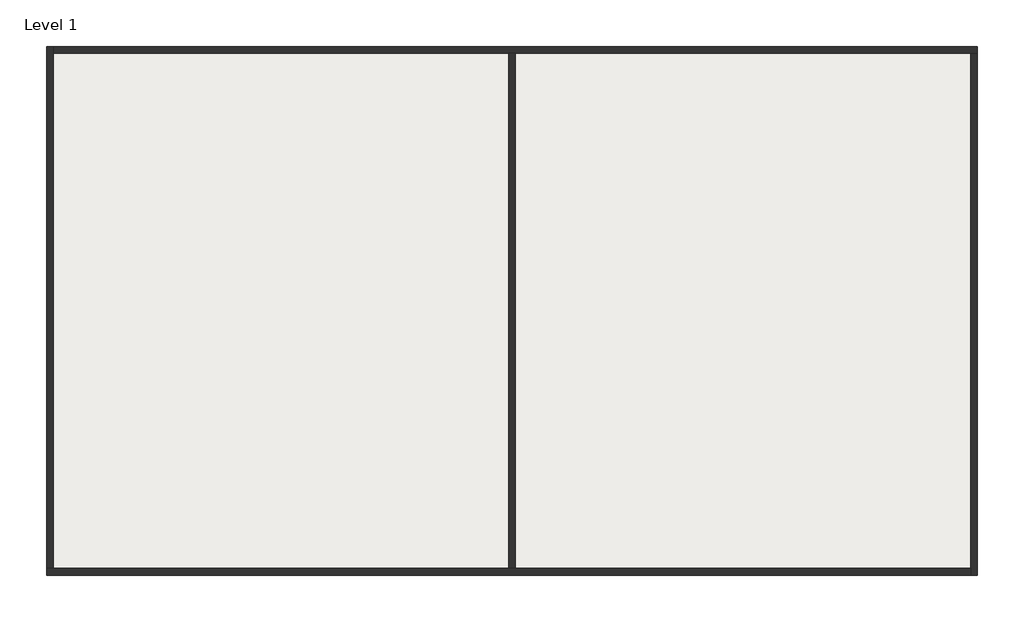
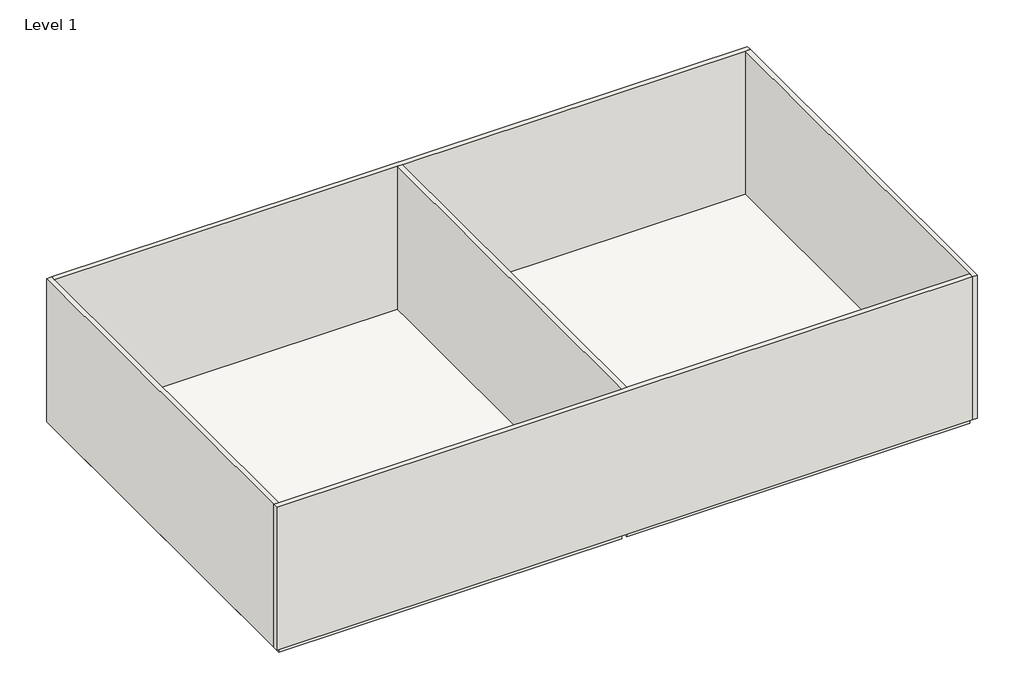
# One storey: 5 walls, 4 slabs.
"""IFC4 building model written with IfcOpenShell, lengths in millimetres."""

from ifc_helpers import new_model, si_unit, frame, origin, origin_with_axes, place, context, project, spatial, polyline, outline, extrude, faceted_brep, element, save

model = new_model("IFC4")

# Units and contexts
model_context = context("Model", 3, world=origin())
ifc_project = project(units=[si_unit("LENGTHUNIT", "METRE", prefix="MILLI")], contexts=[model_context])

# Site, building, storey
site = spatial("IfcSite", under=ifc_project)
building = spatial("IfcBuilding", under=site)
storey = spatial("IfcBuildingStorey", under=building, Name="Level 1", Elevation=0.0)

# Slabs
placement = place(None, origin())
element("IfcSlab", 1, ObjectType="Wood Joist 10\" - Ceramic Tile", at=placement, inside=storey, context=model_context, shape_type="SweptSolid", body=[
    extrude(outline(polyline([(-3064.3318941, 10755.7715093), (10753.2681059, 10755.7715093), (10753.2681059, -4890.6284907), (-3064.3318941, -4890.6284907), (-3064.3318941, 10755.7715093)])), frame((0.0, 0.0, -273.05), z_axis=(0.0, 0.0, 1.0), x_axis=(1.0, 0.0, 0.0)), (0.0, 0.0, 1.0), 273.05),
])
element("IfcSlab", 2, ObjectType="Wood Joist 10\" - Ceramic Tile", at=placement, inside=storey, context=model_context, shape_type="SweptSolid", body=[
    extrude(outline(polyline([(-17085.1318941, 10755.7715093), (-3267.5318941, 10755.7715093), (-3267.5318941, -4890.6284907), (-17085.1318941, -4890.6284907), (-17085.1318941, 10755.7715093)])), frame((0.0, 0.0, -273.05), z_axis=(0.0, 0.0, 1.0), x_axis=(1.0, 0.0, 0.0)), (0.0, 0.0, 1.0), 273.05),
])
element("IfcSlab", 3, ObjectType="Wood Joist 10\" - Ceramic Tile", at=placement, inside=storey, context=model_context, shape_type="SweptSolid", body=[
    extrude(outline(polyline([(-3064.3318941, 10755.7715093), (10753.2681059, 10755.7715093), (10753.2681059, -4890.6284907), (-3064.3318941, -4890.6284907), (-3064.3318941, 10755.7715093)])), frame((0.0, 0.0, -273.05), z_axis=(0.0, 0.0, 1.0), x_axis=(1.0, 0.0, 0.0)), (0.0, 0.0, 1.0), 273.05),
])
element("IfcSlab", 4, ObjectType="Wood Joist 10\" - Ceramic Tile", at=placement, inside=storey, context=model_context, shape_type="SweptSolid", body=[
    extrude(outline(polyline([(-17085.1318941, 10755.7715093), (-3267.5318941, 10755.7715093), (-3267.5318941, -4890.6284907), (-17085.1318941, -4890.6284907), (-17085.1318941, 10755.7715093)])), frame((0.0, 0.0, -273.05), z_axis=(0.0, 0.0, 1.0), x_axis=(1.0, 0.0, 0.0)), (0.0, 0.0, 1.0), 273.05),
])

# Walls
element("IfcWall", 5, ObjectType="Generic - 8\"", at=placement, inside=storey, context=model_context, shape_type="Brep", body=[
    faceted_brep([(10956.4681059, 10958.9715093, 0.0), (-17085.1318941, 10958.9715093, 0.0), (-17085.1318941, 10958.9715093, 6096.0), (10956.4681059, 10958.9715093, 6096.0), (10956.4681059, 10755.7715093, 0.0), (10956.4681059, 10755.7715093, 6096.0), (10753.2681059, 10755.7715093, 6096.0), (-3064.3318941, 10755.7715093, 6096.0), (-3267.5318941, 10755.7715093, 6096.0), (-17085.1318941, 10755.7715093, 6096.0), (-17085.1318941, 10755.7715093, 0.0), (-3267.5318941, 10755.7715093, 0.0), (-3064.3318941, 10755.7715093, 0.0), (10753.2681059, 10755.7715093, 0.0)], [[[0, 1, 2, 3]], [[4, 5, 6, 7, 8, 9, 10, 11, 12, 13]], [[1, 0, 4, 13, 12, 11, 10]], [[3, 2, 9, 8, 7, 6, 5]], [[0, 3, 5, 4]], [[2, 1, 10, 9]]]),
])
element("IfcWall", 6, ObjectType="Generic - 8\"", at=placement, inside=storey, context=model_context, shape_type="Brep", body=[
    faceted_brep([(10956.4681059, -5093.8284907, 0.0), (10956.4681059, 10755.7715093, 0.0), (10956.4681059, 10755.7715093, 6096.0), (10956.4681059, -5093.8284907, 6096.0), (10753.2681059, -5093.8284907, 0.0), (10753.2681059, -5093.8284907, 6096.0), (10753.2681059, -4890.6284907, 6096.0), (10753.2681059, 10755.7715093, 6096.0), (10753.2681059, 10755.7715093, 0.0), (10753.2681059, -4890.6284907, 0.0)], [[[0, 1, 2, 3]], [[4, 5, 6, 7, 8, 9]], [[1, 0, 4, 9, 8]], [[3, 2, 7, 6, 5]], [[0, 3, 5, 4]], [[2, 1, 8, 7]]]),
])
element("IfcWall", 7, ObjectType="Generic - 8\"", at=placement, inside=storey, context=model_context, shape_type="Brep", body=[
    faceted_brep([(-17288.3318941, -5093.8284907, 0.0), (10753.2681059, -5093.8284907, 0.0), (10753.2681059, -5093.8284907, 6096.0), (-17288.3318941, -5093.8284907, 6096.0), (-17288.3318941, -4890.6284907, 0.0), (-17288.3318941, -4890.6284907, 6096.0), (-17085.1318941, -4890.6284907, 6096.0), (-3267.5318941, -4890.6284907, 6096.0), (-3064.3318941, -4890.6284907, 6096.0), (10753.2681059, -4890.6284907, 6096.0), (10753.2681059, -4890.6284907, 0.0), (-3064.3318941, -4890.6284907, 0.0), (-3267.5318941, -4890.6284907, 0.0), (-17085.1318941, -4890.6284907, 0.0)], [[[0, 1, 2, 3]], [[4, 5, 6, 7, 8, 9, 10, 11, 12, 13]], [[1, 0, 4, 13, 12, 11, 10]], [[3, 2, 9, 8, 7, 6, 5]], [[0, 3, 5, 4]], [[2, 1, 10, 9]]]),
])
element("IfcWall", 8, ObjectType="Generic - 8\"", at=placement, inside=storey, context=model_context, shape_type="Brep", body=[
    faceted_brep([(-17288.3318941, 10958.9715093, 0.0), (-17288.3318941, -4890.6284907, 0.0), (-17288.3318941, -4890.6284907, 6096.0), (-17288.3318941, 10958.9715093, 6096.0), (-17085.1318941, 10958.9715093, 0.0), (-17085.1318941, 10958.9715093, 6096.0), (-17085.1318941, 10755.7715093, 6096.0), (-17085.1318941, -4890.6284907, 6096.0), (-17085.1318941, -4890.6284907, 0.0), (-17085.1318941, 10755.7715093, 0.0)], [[[0, 1, 2, 3]], [[4, 5, 6, 7, 8, 9]], [[1, 0, 4, 9, 8]], [[3, 2, 7, 6, 5]], [[0, 3, 5, 4]], [[2, 1, 8, 7]]]),
])
element("IfcWall", 9, ObjectType="Generic - 8\"", at=placement, inside=storey, context=model_context, shape_type="SweptSolid", body=[
    extrude(outline(polyline([(-3267.5318941, -4890.6284907), (-3267.5318941, 10755.7715093), (-3064.3318941, 10755.7715093), (-3064.3318941, -4890.6284907), (-3267.5318941, -4890.6284907)])), origin_with_axes(), (0.0, 0.0, 1.0), 6096.0),
])

save(model, "model.ifc")
